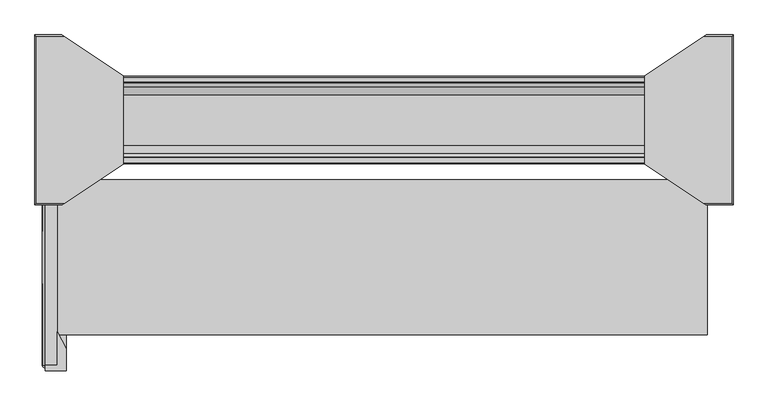
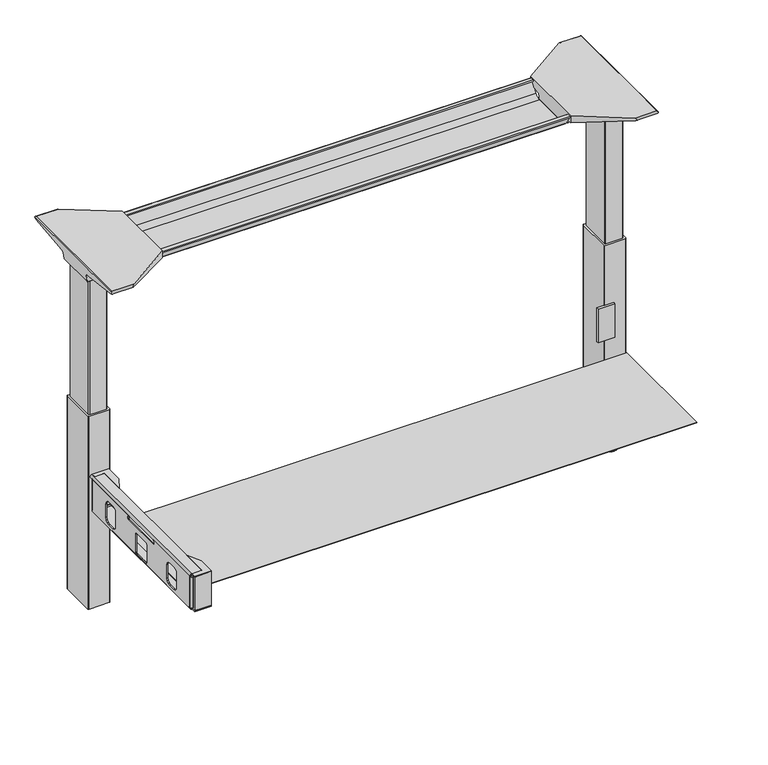
"""IFC4 building model written with IfcOpenShell, lengths in millimetres: furniture geometry."""

from ifc_helpers import new_model, si_unit, point, frame, frame_2d, origin, place, context, project, spatial, polyline, circle_curve, ellipse_curve, trimmed, segment, composite_curve, outline, extrude, source, transform, mapped, element, save
from ifc_brep_helpers import plane_surface, cylinder_surface, revolved_surface, advanced_brep


def furniture_45dec077(model_context):
    return source(origin(), model_context, "Body", "SolidModel", [
        advanced_brep(
        [(731.4406297, 635.7959297, 988.7915733), (565.7122138, 635.7959297, 988.7915733), (580.0924181, 638.0243831, 986.1442785), (728.9518591, 638.0243831, 986.1442785), (731.6625278, 635.7869439, 989.0276054), (734.0619089, 635.1429173, 1005.9443054), (551.2773962, 635.1429173, 1005.9443054), (551.2773962, 635.4909034, 996.8037253), (554.1075093, 635.5720941, 994.6710821), (554.2501644, 635.6497602, 992.6310191), (734.9185362, 629.6758818, 1011.9839076), (551.2773962, 629.6758818, 1011.9839076), (737.4393767, 515.1046774, 1029.7569507), (673.2243442, 515.1046774, 1029.7569507), (551.2773962, 595.9093999, 1017.2219877), (737.5128152, 511.3286724, 1030.2747243), (678.9229255, 511.3286724, 1030.2747243), (738.1871296, 509.818416, 1035.0289399), (736.4021288, 512.3953111, 1037.209), (677.3132011, 512.3953111, 1037.209), (738.1871296, 868.7919839, 1035.0289399), (737.5128152, 867.2817274, 1030.2747243), (678.9229255, 867.2817274, 1030.2747243), (677.3132011, 866.2150887, 1037.209), (736.4021288, 866.2150887, 1037.209), (737.4393767, 863.5057224, 1029.7569507), (673.2243442, 863.5057224, 1029.7569507), (734.9185362, 748.9345181, 1011.9839076), (551.2773962, 748.9345181, 1011.9839076), (551.2773962, 782.7009999, 1017.2219877), (734.0619089, 743.4674826, 1005.9443054), (551.2773962, 743.4674826, 1005.9443054), (731.6625278, 742.823456, 989.0276054), (731.4406297, 742.8144701, 988.7915733), (565.7122138, 742.8144701, 988.7915733), (554.2501644, 742.9606396, 992.6310191), (554.1075093, 743.0383057, 994.6710821), (551.2773962, 743.1194964, 996.8037253), (728.9518591, 740.5860168, 986.1442785), (580.0924181, 740.5860168, 986.1442785), (551.2773962, 782.7009999, 1037.209), (551.2773962, 595.9093999, 1037.209)],
        [
            (0, 1),
            (1, 2, ellipse_curve(frame((589.9936465, 558.758199, 1080.3086722), z_axis=(0.0, -0.7650318638532662, -0.6439924279750482), x_axis=(0.0, -0.6439924279750482, 0.7650318638532662)), 123.7641411, 94.6835116)),
            (2, 3),
            (3, 0),
            (0, 4),
            (4, 5),
            (5, 6),
            (6, 7),
            (7, 8),
            (8, 9),
            (9, 1, ellipse_curve(frame((589.9936465, 632.3118313, 1080.3086722), z_axis=(0.0, -0.999276106683639, -0.03804290487316255), x_axis=(0.0, -0.03804290487316397, 0.999276106683639)), 94.752102, 94.6835116)),
            (5, 10, ellipse_curve(frame((734.0119691, 628.684359, 1005.5922075), z_axis=(0.9900906714849623, 0.0, -0.14042956326378145), x_axis=(0.1404295632637812, 0.0, 0.9900906714849624)), 6.5328852, 6.4681487)),
            (10, 11),
            (11, 6, circle_curve(frame((551.2773962, 628.684359, 1005.5922075), z_axis=(-1.0, 0.0, 0.0), x_axis=(0.0, -1.0, 0.0)), 6.4681487)),
            (10, 12),
            (12, 13),
            (13, 14),
            (14, 11),
            (12, 15),
            (15, 16),
            (16, 13),
            (15, 17, ellipse_curve(frame((737.9730772, 513.3057888, 1033.5197755), z_axis=(-0.9900906714849623, 0.0, 0.14042956326378145), x_axis=(-0.1404295632637812, 0.0, -0.9900906714849624)), 3.8379455, 3.7999141)),
            (17, 18, ellipse_curve(frame((739.422811, 513.3057888, 1033.5197755), z_axis=(-0.7737284588432359, 0.0, -0.6335173809581479), x_axis=(-0.6335173809581477, 0.0, 0.773728458843236)), 4.9111727, 3.7999141)),
            (18, 19),
            (19, 16, ellipse_curve(frame((675.939148, 513.3057888, 1033.5197755), z_axis=(0.5523637579768934, 0.8336031902971844, 0.0), x_axis=(-0.8336031902971844, 0.5523637579768933, 0.0)), 6.8793689, 3.7999141)),
            (20, 21, ellipse_curve(frame((737.9730772, 865.304611, 1033.5197755), z_axis=(-0.9900906714849623, 0.0, 0.14042956326378145), x_axis=(-0.1404295632637812, 0.0, -0.9900906714849624)), 3.8379455, 3.7999141)),
            (21, 22),
            (22, 23, ellipse_curve(frame((675.939148, 865.304611, 1033.5197755), z_axis=(0.5523637579749595, -0.833603190298466, 0.0), x_axis=(-0.833603190298466, -0.5523637579749595, 0.0)), 6.8793689, 3.7999141)),
            (23, 24),
            (24, 20, ellipse_curve(frame((739.422811, 865.304611, 1033.5197755), z_axis=(-0.7737284588432359, 0.0, -0.6335173809581479), x_axis=(-0.6335173809581477, 0.0, 0.773728458843236)), 4.9111727, 3.7999141)),
            (21, 25),
            (25, 26),
            (26, 22),
            (27, 28),
            (28, 29),
            (29, 26),
            (25, 27),
            (27, 30, ellipse_curve(frame((734.0119691, 749.9260409, 1005.5922075), z_axis=(0.9900906714849623, 0.0, -0.14042956326378145), x_axis=(0.1404295632637812, 0.0, 0.9900906714849624)), 6.5328852, 6.4681487)),
            (30, 31),
            (31, 28, circle_curve(frame((551.2773962, 749.9260409, 1005.5922075), z_axis=(-1.0, 0.0, 0.0), x_axis=(0.0, -1.0, 0.0)), 6.4681487)),
            (30, 32),
            (32, 33),
            (33, 34),
            (34, 35, ellipse_curve(frame((589.9936465, 746.2985685, 1080.3086722), z_axis=(0.0, 0.9992761066836363, -0.03804290487323539), x_axis=(0.0, -0.03804290487323121, -0.9992761066836364)), 94.752102, 94.6835116)),
            (35, 36),
            (36, 37),
            (37, 31),
            (33, 38),
            (38, 39),
            (39, 34, ellipse_curve(frame((589.9936465, 819.8522008, 1080.3086722), z_axis=(0.0, 0.7650318638534733, -0.643992427974802), x_axis=(0.0, -0.643992427974802, -0.7650318638534732)), 123.7641411, 94.6835116)),
            (4, 32),
            (20, 17),
            (24, 18),
            (23, 40),
            (40, 41),
            (41, 19),
            (37, 7),
            (14, 41),
            (40, 29),
            (36, 8),
            (35, 9),
            (39, 2),
            (38, 3),
        ],
        [
            plane_surface(frame((754.4773962, 638.0243831, 986.1442785), z_axis=(0.0, -0.7650318638532662, -0.6439924279750482), x_axis=(-1.0, 0.0, 0.0))),
            plane_surface(frame((754.4773962, 635.7959297, 988.7915733), z_axis=(0.0, -0.999276106683639, -0.03804290487316255), x_axis=(-1.0, 0.0, 0.0))),
            revolved_surface(polyline([(734.9293793154884, 622.2162103, 1005.5922075), (551.2773962, 622.2162103, 1005.5922075)]), (754.4773962, 628.684359, 1005.5922075), (1.0, 0.0, 0.0)),
            plane_surface(frame((754.4773962, 629.6758818, 1011.9839076), z_axis=(0.0, -0.153293135871396, -0.9881807600306302), x_axis=(-1.0, 0.0, 0.0))),
            plane_surface(frame((754.4773962, 515.1046774, 1029.7569507), z_axis=(0.0, -0.13585085469026903, -0.9907292996979162), x_axis=(-1.0, 0.0, 0.0))),
            cylinder_surface(frame((754.4773962, 513.3057888, 1033.5197755), z_axis=(-1.0, 0.0, 0.0), x_axis=(0.0, -1.0, 0.0)), 3.7999141),
            cylinder_surface(frame((754.4773962, 865.304611, 1033.5197755), z_axis=(-1.0, 0.0, 0.0), x_axis=(0.0, -1.0, 0.0)), 3.7999141),
            plane_surface(frame((754.4773962, 867.2817274, 1030.2747243), z_axis=(0.0, 0.13585085468791205, -0.9907292996982394), x_axis=(-1.0, 0.0, 0.0))),
            plane_surface(frame((754.4773962, 863.5057224, 1029.7569507), z_axis=(0.0, 0.1532931358714066, -0.9881807600306285), x_axis=(-1.0, 0.0, 0.0))),
            revolved_surface(polyline([(734.9293793154884, 743.4578922, 1005.5922075), (551.2773962, 743.4578922, 1005.5922075)]), (754.4773962, 749.9260409, 1005.5922075), (1.0, 0.0, 0.0)),
            plane_surface(frame((754.4773962, 743.4674826, 1005.9443054), z_axis=(0.0, 0.9992761066836363, -0.03804290487323539), x_axis=(-1.0, 0.0, 0.0))),
            plane_surface(frame((754.4773962, 742.8144701, 988.7915733), z_axis=(0.0, 0.7650318638534733, -0.643992427974802), x_axis=(-1.0, 0.0, 0.0))),
            plane_surface(frame((731.6625278, 498.8051999, 989.0276054), z_axis=(0.9900906714849623, 0.0, -0.14042956326378145), x_axis=(0.0, 1.0, 0.0))),
            plane_surface(frame((738.1871296, 498.8051999, 1035.0289399), z_axis=(0.7737284588432359, 0.0, 0.6335173809581479), x_axis=(0.0, 1.0, 0.0))),
            plane_surface(frame((736.4021288, 498.8051999, 1037.209), z_axis=(0.0, 0.0, 1.0), x_axis=(0.0, 1.0, 0.0))),
            plane_surface(frame((551.2773962, 498.8051999, 1037.209), z_axis=(-1.0, 0.0, 0.0), x_axis=(0.0, 1.0, 0.0))),
            plane_surface(frame((551.2773962, 498.8051999, 996.8037253), z_axis=(-0.6018150231516275, 0.0, -0.7986355100476099), x_axis=(0.0, 1.0, 0.0))),
            plane_surface(frame((554.1075093, 498.8051999, 994.6710821), z_axis=(-0.9975640502599595, 0.0, -0.06975647374219093), x_axis=(0.0, 1.0, 0.0))),
            cylinder_surface(frame((589.9936465, 498.8051999, 1080.3086722), z_axis=(0.0, -1.0, 0.0), x_axis=(-1.0, 0.0, 0.0)), 94.6835116),
            plane_surface(frame((580.0924181, 498.8051999, 986.1442785), z_axis=(0.0, 0.0, -1.0), x_axis=(0.0, 1.0, 0.0))),
            plane_surface(frame((728.9518591, 498.8051999, 986.1442785), z_axis=(0.7285846064197211, 0.0, -0.6849558170336391), x_axis=(0.0, 1.0, 0.0))),
            plane_surface(frame((697.8228017, 498.8051999, 1037.209), z_axis=(-0.5523637579768934, -0.8336031902971844, 0.0), x_axis=(0.0, 0.0, -1.0))),
            plane_surface(frame((551.2773962, 782.7009999, 1037.209), z_axis=(-0.5523637579749595, 0.833603190298466, 0.0), x_axis=(0.0, 0.0, -1.0))),
        ],
        [
            (0, [[1, 2, 3, 4]]),
            (1, [[-1, 5, 6, 7, 8, 9, 10, 11]]),
            (2, [[-7, 12, 13, 14]]),
            (3, [[-13, 15, 16, 17, 18]]),
            (4, [[19, 20, 21, -16]]),
            (5, [[22, 23, 24, 25, -20]]),
            (6, [[26, 27, 28, 29, 30]]),
            (7, [[31, 32, 33, -27]]),
            (8, [[34, 35, 36, -32, 37]]),
            (9, [[-34, 38, 39, 40]]),
            (10, [[-39, 41, 42, 43, 44, 45, 46, 47]]),
            (11, [[-43, 48, 49, 50]]),
            (12, [[51, -41, -38, -37, -31, -26, 52, -22, -19, -15, -12, -6]]),
            (13, [[-52, -30, 53, -23]]),
            (14, [[-53, -29, 54, 55, 56, -24]]),
            (15, [[57, -8, -14, -18, 58, -55, 59, -35, -40, -47]]),
            (16, [[-57, -46, 60, -9]]),
            (17, [[-60, -45, 61, -10]]),
            (18, [[-61, -44, -50, 62, -2, -11]]),
            (19, [[-62, -49, 63, -3]]),
            (20, [[-51, -5, -4, -63, -48, -42]]),
            (21, [[-56, -58, -17, -21, -25]]),
            (22, [[-54, -28, -33, -36, -59]]),
        ],
    ),
        advanced_brep(
        [(-565.7122138, 635.7959297, 988.7915733), (-731.4406297, 635.7959297, 988.7915733), (-728.9518591, 638.0243831, 986.1442785), (-580.0924181, 638.0243831, 986.1442785), (-554.2501644, 635.6497602, 992.6310191), (-554.1075093, 635.5720941, 994.6710821), (-551.4619573, 635.4961981, 996.6646485), (-551.4619573, 635.1429173, 1005.9443054), (-734.0619089, 635.1429173, 1005.9443054), (-731.6625278, 635.7869439, 989.0276054), (-551.4619573, 629.6758818, 1011.9839076), (-734.9185362, 629.6758818, 1011.9839076), (-551.4619573, 595.9162046, 1017.2209321), (-673.2570453, 515.1046774, 1029.7569507), (-737.4393767, 515.1046774, 1029.7569507), (-737.5128152, 511.3286724, 1030.2747243), (-678.9480509, 511.3286724, 1030.2747243), (-738.1871296, 509.818416, 1035.0289399), (-677.3404665, 512.3953111, 1037.209), (-736.4021288, 512.3953111, 1037.209), (-737.5128152, 867.2817274, 1030.2747243), (-738.1871296, 868.7919839, 1035.0289399), (-736.4021288, 866.2150887, 1037.209), (-677.3404665, 866.2150887, 1037.209), (-678.9480509, 867.2817274, 1030.2747243), (-737.4393767, 863.5057224, 1029.7569507), (-673.2570453, 863.5057224, 1029.7569507), (-551.4619573, 748.9345181, 1011.9839076), (-734.9185362, 748.9345181, 1011.9839076), (-551.4619573, 782.6941953, 1017.2209321), (-551.4619573, 743.4674826, 1005.9443054), (-734.0619089, 743.4674826, 1005.9443054), (-551.4619573, 743.1142017, 996.6646485), (-554.1075093, 743.0383057, 994.6710821), (-554.2501644, 742.9606396, 992.6310191), (-565.7122138, 742.8144701, 988.7915733), (-731.4406297, 742.8144701, 988.7915733), (-731.6625278, 742.823456, 989.0276054), (-580.0924181, 740.5860168, 986.1442785), (-728.9518591, 740.5860168, 986.1442785), (-551.4619573, 595.9162046, 1037.209), (-551.4619573, 782.6941953, 1037.209)],
        [
            (0, 1),
            (1, 2),
            (2, 3),
            (3, 0, ellipse_curve(frame((-589.9936465, 558.758199, 1080.3086722), z_axis=(0.0, -0.7650318638532565, -0.6439924279750596), x_axis=(0.0, 0.6439924279750596, -0.7650318638532564)), 123.7641411, 94.6835116)),
            (0, 4, ellipse_curve(frame((-589.9936465, 632.3118313, 1080.3086722), z_axis=(0.0, -0.9992761066836392, -0.03804290487315862), x_axis=(0.0, 0.03804290487315623, -0.9992761066836393)), 94.752102, 94.6835116)),
            (4, 5),
            (5, 6),
            (6, 7),
            (7, 8),
            (8, 9),
            (9, 1),
            (7, 10, circle_curve(frame((-551.4619573, 628.684359, 1005.5922075), z_axis=(1.0, 0.0, 0.0), x_axis=(0.0, -1.0, 0.0)), 6.4681487)),
            (10, 11),
            (11, 8, ellipse_curve(frame((-734.0119691, 628.684359, 1005.5922075), z_axis=(-0.9900906714849659, 0.0, -0.1404295632637567), x_axis=(0.1404295632637562, 0.0, -0.9900906714849659)), 6.5328852, 6.4681487)),
            (10, 12),
            (12, 13),
            (13, 14),
            (14, 11),
            (15, 14),
            (13, 16),
            (16, 15),
            (17, 15, ellipse_curve(frame((-737.9730772, 513.3057888, 1033.5197755), z_axis=(0.9900906714849659, 0.0, 0.1404295632637567), x_axis=(-0.1404295632637562, 0.0, 0.9900906714849659)), 3.8379455, 3.7999141)),
            (16, 18, ellipse_curve(frame((-675.96824, 513.3057888, 1033.5197755), z_axis=(-0.5528743936295183, 0.8332646067539367, 0.0), x_axis=(-0.8332646067539364, -0.5528743936295183, 0.0)), 6.8730151, 3.7999141)),
            (18, 19),
            (19, 17, ellipse_curve(frame((-739.422811, 513.3057888, 1033.5197755), z_axis=(0.7737284588399557, 0.0, -0.633517380962154), x_axis=(-0.6335173809621538, 0.0, -0.7737284588399556)), 4.9111727, 3.7999141)),
            (20, 21, ellipse_curve(frame((-737.9730772, 865.304611, 1033.5197755), z_axis=(0.9900906714849659, 0.0, 0.1404295632637567), x_axis=(-0.1404295632637562, 0.0, 0.9900906714849659)), 3.8379455, 3.7999141)),
            (21, 22, ellipse_curve(frame((-739.422811, 865.304611, 1033.5197755), z_axis=(0.7737284588399557, 0.0, -0.633517380962154), x_axis=(-0.6335173809621538, 0.0, -0.7737284588399556)), 4.9111727, 3.7999141)),
            (22, 23),
            (23, 24, ellipse_curve(frame((-675.96824, 865.304611, 1033.5197755), z_axis=(-0.5528743936295097, -0.8332646067539422, 0.0), x_axis=(-0.8332646067539421, 0.5528743936295097, 0.0)), 6.8730151, 3.7999141)),
            (24, 20),
            (25, 20),
            (24, 26),
            (26, 25),
            (27, 28),
            (28, 25),
            (26, 29),
            (29, 27),
            (27, 30, circle_curve(frame((-551.4619573, 749.9260409, 1005.5922075), z_axis=(1.0, 0.0, 0.0), x_axis=(0.0, -1.0, 0.0)), 6.4681487)),
            (30, 31),
            (31, 28, ellipse_curve(frame((-734.0119691, 749.9260409, 1005.5922075), z_axis=(-0.9900906714849659, 0.0, -0.1404295632637567), x_axis=(0.1404295632637562, 0.0, -0.9900906714849659)), 6.5328852, 6.4681487)),
            (30, 32),
            (32, 33),
            (33, 34),
            (34, 35, ellipse_curve(frame((-589.9936465, 746.2985685, 1080.3086722), z_axis=(0.0, 0.9992761066836363, -0.03804290487323539), x_axis=(0.0, 0.03804290487323121, 0.9992761066836364)), 94.752102, 94.6835116)),
            (35, 36),
            (36, 37),
            (37, 31),
            (35, 38, ellipse_curve(frame((-589.9936465, 819.8522008, 1080.3086722), z_axis=(0.0, 0.7650318638534733, -0.643992427974802), x_axis=(0.0, 0.643992427974802, 0.7650318638534732)), 123.7641411, 94.6835116)),
            (38, 39),
            (39, 36),
            (37, 9),
            (17, 21),
            (19, 22),
            (18, 40),
            (40, 41),
            (41, 23),
            (6, 32),
            (29, 41),
            (40, 12),
            (5, 33),
            (4, 34),
            (3, 38),
            (2, 39),
        ],
        [
            plane_surface(frame((-551.4619573, 638.0243831, 986.1442785), z_axis=(0.0, -0.7650318638532565, -0.6439924279750596), x_axis=(-1.0, 0.0, 0.0))),
            plane_surface(frame((-551.4619573, 635.7959297, 988.7915733), z_axis=(0.0, -0.9992761066836392, -0.03804290487315862), x_axis=(-1.0, 0.0, 0.0))),
            revolved_surface(polyline([(-551.4619573, 622.2162103, 1005.5922075), (-734.9293793154882, 622.2162103, 1005.5922075)]), (-551.4619573, 628.684359, 1005.5922075), (1.0, 0.0, 0.0)),
            plane_surface(frame((-551.4619573, 629.6758818, 1011.9839076), z_axis=(0.0, -0.15329313587140309, -0.988180760030629), x_axis=(-1.0, 0.0, 0.0))),
            plane_surface(frame((-551.4619573, 515.1046774, 1029.7569507), z_axis=(0.0, -0.1358508546900816, -0.9907292996979419), x_axis=(-1.0, 0.0, 0.0))),
            cylinder_surface(frame((-551.4619573, 513.3057888, 1033.5197755), z_axis=(-1.0, 0.0, 0.0), x_axis=(0.0, -1.0, 0.0)), 3.7999141),
            cylinder_surface(frame((-551.4619573, 865.304611, 1033.5197755), z_axis=(-1.0, 0.0, 0.0), x_axis=(0.0, -1.0, 0.0)), 3.7999141),
            plane_surface(frame((-551.4619573, 867.2817274, 1030.2747243), z_axis=(0.0, 0.1358508546877776, -0.9907292996982578), x_axis=(-1.0, 0.0, 0.0))),
            plane_surface(frame((-551.4619573, 863.5057224, 1029.7569507), z_axis=(0.0, 0.15329313587141113, -0.9881807600306277), x_axis=(-1.0, 0.0, 0.0))),
            revolved_surface(polyline([(-551.4619573, 743.4578922, 1005.5922075), (-734.9293793154882, 743.4578922, 1005.5922075)]), (-551.4619573, 749.9260409, 1005.5922075), (1.0, 0.0, 0.0)),
            plane_surface(frame((-551.4619573, 743.4674826, 1005.9443054), z_axis=(0.0, 0.9992761066836363, -0.03804290487323539), x_axis=(-1.0, 0.0, 0.0))),
            plane_surface(frame((-551.4619573, 742.8144701, 988.7915733), z_axis=(0.0, 0.7650318638534733, -0.643992427974802), x_axis=(-1.0, 0.0, 0.0))),
            plane_surface(frame((-731.6625278, 879.8051999, 989.0276054), z_axis=(-0.9900906714849659, 0.0, -0.1404295632637567), x_axis=(0.0, -1.0, 0.0))),
            plane_surface(frame((-738.1871296, 879.8051999, 1035.0289399), z_axis=(-0.7737284588399557, 0.0, 0.633517380962154), x_axis=(0.0, -1.0, 0.0))),
            plane_surface(frame((-736.4021288, 879.8051999, 1037.209), z_axis=(0.0, 0.0, 1.0), x_axis=(0.0, -1.0, 0.0))),
            plane_surface(frame((-551.4619573, 879.8051999, 1037.209), z_axis=(1.0, 0.0, 0.0), x_axis=(0.0, -1.0, 0.0))),
            plane_surface(frame((-551.4619573, 879.8051999, 996.6646485), z_axis=(0.6018150231540728, 0.0, -0.7986355100457674), x_axis=(0.0, -1.0, 0.0))),
            plane_surface(frame((-554.1075093, 879.8051999, 994.6710821), z_axis=(0.9975640502598287, 0.0, -0.06975647374406109), x_axis=(0.0, -1.0, 0.0))),
            cylinder_surface(frame((-589.9936465, 879.8051999, 1080.3086722), z_axis=(0.0, 1.0, 0.0), x_axis=(1.0, 0.0, 0.0)), 94.6835116),
            plane_surface(frame((-580.0924181, 879.8051999, 986.1442785), z_axis=(0.0, 0.0, -1.0), x_axis=(0.0, -1.0, 0.0))),
            plane_surface(frame((-728.9518591, 879.8051999, 986.1442785), z_axis=(-0.7285846064222696, 0.0, -0.6849558170309284), x_axis=(0.0, -1.0, 0.0))),
            plane_surface(frame((-551.4619573, 595.9162046, 1037.209), z_axis=(0.5528743936295183, -0.8332646067539367, 0.0), x_axis=(0.0, 0.0, -1.0))),
            plane_surface(frame((-697.8228017, 879.8051999, 1037.209), z_axis=(0.5528743936295097, 0.8332646067539422, 0.0), x_axis=(0.0, 0.0, -1.0))),
        ],
        [
            (0, [[1, 2, 3, 4]]),
            (1, [[-1, 5, 6, 7, 8, 9, 10, 11]]),
            (2, [[-9, 12, 13, 14]]),
            (3, [[-13, 15, 16, 17, 18]]),
            (4, [[19, -17, 20, 21]]),
            (5, [[22, -21, 23, 24, 25]]),
            (6, [[26, 27, 28, 29, 30]]),
            (7, [[31, -30, 32, 33]]),
            (8, [[34, 35, -33, 36, 37]]),
            (9, [[-34, 38, 39, 40]]),
            (10, [[-39, 41, 42, 43, 44, 45, 46, 47]]),
            (11, [[-45, 48, 49, 50]]),
            (12, [[51, -10, -14, -18, -19, -22, 52, -26, -31, -35, -40, -47]]),
            (13, [[-52, -25, 53, -27]]),
            (14, [[-53, -24, 54, 55, 56, -28]]),
            (15, [[57, -41, -38, -37, 58, -55, 59, -15, -12, -8]]),
            (16, [[-57, -7, 60, -42]]),
            (17, [[-60, -6, 61, -43]]),
            (18, [[-61, -5, -4, 62, -48, -44]]),
            (19, [[-62, -3, 63, -49]]),
            (20, [[-51, -46, -50, -63, -2, -11]]),
            (21, [[-54, -23, -20, -16, -59]]),
            (22, [[-56, -58, -36, -32, -29]]),
        ],
    ),
        advanced_brep(
        [(551.2773962, 610.6220303, 1031.9794894), (551.2773962, 608.8576757, 1034.2075511), (551.2773962, 597.8770774, 1034.2075511), (551.2773962, 597.146908, 1031.6093085), (551.2773962, 618.5732891, 1002.0462148), (551.2773962, 635.9741085, 993.4452863), (551.2773962, 742.7619843, 993.4452863), (551.2773962, 760.3897782, 1002.4997482), (551.2773962, 781.7244861, 1032.2706054), (551.2773962, 780.0859233, 1034.3266572), (551.2773962, 769.8707901, 1034.3266572), (551.2773962, 767.9998151, 1031.9794894), (551.2773962, 768.7410362, 1031.4423822), (551.2773962, 770.3112636, 1033.4122572), (551.2773962, 779.9898761, 1033.4122572), (551.2773962, 780.7957648, 1032.5444366), (551.2773962, 759.6465255, 1003.0323858), (551.2773962, 742.7619843, 994.3598536), (551.2773962, 635.9741085, 994.3596863), (551.2773962, 619.3067599, 1002.5923713), (551.2773962, 597.9530373, 1032.0552144), (551.2773962, 598.2103058, 1033.2931511), (551.2773962, 608.4153909, 1033.2931511), (551.2773962, 609.880928, 1031.4424419), (-551.4619573, 610.6220303, 1031.9794894), (-551.4619573, 609.880928, 1031.4424419), (-551.4619573, 608.4153909, 1033.2931511), (-551.4619573, 598.2103058, 1033.2931511), (-551.4619573, 597.9530373, 1032.0552144), (-551.4619573, 619.3067599, 1002.5923713), (-551.4619573, 635.9741085, 994.3596863), (-551.4619573, 742.7619844, 994.3596863), (-551.4619573, 759.6465255, 1003.0323858), (-551.4619573, 780.7957648, 1032.5444366), (-551.4619573, 779.9898761, 1033.4122572), (-551.4619573, 770.3112636, 1033.4122572), (-551.4619573, 768.7410362, 1031.4423822), (-551.4619573, 767.9998151, 1031.9794894), (-551.4619573, 769.8707901, 1034.3266572), (-551.4619573, 780.0859233, 1034.3266572), (-551.4619573, 781.7244861, 1032.2706054), (-551.4619573, 760.3897782, 1002.4997482), (-551.4619573, 742.7619843, 993.4454536), (-551.4619573, 635.9741085, 993.4452863), (-551.4619573, 618.5732891, 1002.0462148), (-551.4619573, 597.146908, 1031.6093085), (-551.4619573, 597.8770774, 1034.2075511), (-551.4619573, 608.8576757, 1034.2075511)],
        [
            (0, 1),
            (1, 2),
            (2, 3, circle_curve(frame((551.2773962, 599.0946423, 1032.4636667), z_axis=(1.0, 0.0, 0.0), x_axis=(0.0, -1.0, 0.0)), 2.1268749)),
            (3, 4),
            (4, 5, circle_curve(frame((551.2773962, 635.9741085, 1015.3478336), z_axis=(1.0, 0.0, 0.0), x_axis=(0.0, -1.0, 0.0)), 21.9025472)),
            (5, 6),
            (6, 7, circle_curve(frame((551.2773962, 742.7619843, 1015.132365), z_axis=(1.0, 0.0, 0.0), x_axis=(0.0, -1.0, 0.0)), 21.6869114)),
            (7, 8),
            (8, 9, circle_curve(frame((551.2773962, 779.7241364, 1032.3573833), z_axis=(1.0, 0.0, 0.0), x_axis=(0.0, -1.0, 0.0)), 2.0022311)),
            (9, 10),
            (10, 11),
            (11, 12),
            (12, 13),
            (13, 14),
            (14, 15, circle_curve(frame((551.2773962, 779.7241364, 1032.3573833), z_axis=(-1.0, 0.0, 0.0), x_axis=(0.0, -1.0, 0.0)), 1.0878311)),
            (15, 16),
            (16, 17, circle_curve(frame((551.2773962, 742.7619843, 1015.132365), z_axis=(-1.0, 0.0, 0.0), x_axis=(0.0, -1.0, 0.0)), 20.7725114)),
            (17, 18),
            (18, 19, circle_curve(frame((551.2773962, 635.9741085, 1015.3478336), z_axis=(-1.0, 0.0, 0.0), x_axis=(0.0, -1.0, 0.0)), 20.9881473)),
            (19, 20),
            (20, 21, circle_curve(frame((551.2773962, 599.0946423, 1032.4636667), z_axis=(-1.0, 0.0, 0.0), x_axis=(0.0, -1.0, 0.0)), 1.2124749)),
            (21, 22),
            (22, 23),
            (23, 0),
            (24, 25),
            (25, 26),
            (26, 27),
            (27, 28, circle_curve(frame((-551.4619573, 599.0946423, 1032.4636667), z_axis=(1.0, 0.0, 0.0), x_axis=(0.0, -1.0, 0.0)), 1.2124749)),
            (28, 29),
            (29, 30, circle_curve(frame((-551.4619573, 635.9741085, 1015.3478336), z_axis=(1.0, 0.0, 0.0), x_axis=(0.0, -1.0, 0.0)), 20.9881473)),
            (30, 31),
            (31, 32, circle_curve(frame((-551.4619573, 742.7619843, 1015.132365), z_axis=(1.0, 0.0, 0.0), x_axis=(0.0, -1.0, 0.0)), 20.7725114)),
            (32, 33),
            (33, 34, circle_curve(frame((-551.4619573, 779.7241364, 1032.3573833), z_axis=(1.0, 0.0, 0.0), x_axis=(0.0, -1.0, 0.0)), 1.0878311)),
            (34, 35),
            (35, 36),
            (36, 37),
            (37, 38),
            (38, 39),
            (39, 40, circle_curve(frame((-551.4619573, 779.7241364, 1032.3573833), z_axis=(-1.0, 0.0, 0.0), x_axis=(0.0, -1.0, 0.0)), 2.0022311)),
            (40, 41),
            (41, 42, circle_curve(frame((-551.4619573, 742.7619843, 1015.132365), z_axis=(-1.0, 0.0, 0.0), x_axis=(0.0, -1.0, 0.0)), 21.6869114)),
            (42, 43),
            (43, 44, circle_curve(frame((-551.4619573, 635.9741085, 1015.3478336), z_axis=(-1.0, 0.0, 0.0), x_axis=(0.0, -1.0, 0.0)), 21.9025472)),
            (44, 45),
            (45, 46, circle_curve(frame((-551.4619573, 599.0946423, 1032.4636667), z_axis=(-1.0, 0.0, 0.0), x_axis=(0.0, -1.0, 0.0)), 2.1268749)),
            (46, 47),
            (47, 24),
            (0, 24),
            (47, 1),
            (46, 2),
            (45, 3),
            (44, 4),
            (43, 5),
            (42, 6),
            (41, 7),
            (40, 8),
            (39, 9),
            (38, 10),
            (37, 11),
            (36, 12),
            (35, 13),
            (34, 14),
            (33, 15),
            (32, 16),
            (31, 17),
            (30, 18),
            (29, 19),
            (28, 20),
            (27, 21),
            (26, 22),
            (25, 23),
        ],
        [
            plane_surface(frame((551.2773962, 689.3051999, 1037.209), z_axis=(1.0, 0.0, 0.0), x_axis=(0.0, 0.0, 1.0))),
            plane_surface(frame((-551.4619573, 689.3051999, 1037.209), z_axis=(-1.0, 0.0, 0.0), x_axis=(0.0, 0.0, 1.0))),
            plane_surface(frame((551.2773962, 610.6220303, 1031.9794894), z_axis=(0.0, 0.7839649337165058, 0.6208051084703434), x_axis=(-1.0, 0.0, 0.0))),
            plane_surface(frame((551.2773962, 608.8576757, 1034.2075511), z_axis=(0.0, 0.0, 1.0), x_axis=(-1.0, 0.0, 0.0))),
            cylinder_surface(frame((551.2773962, 599.0946423, 1032.4636667), z_axis=(1.0, 0.0, 0.0), x_axis=(0.0, -1.0, 0.0)), 2.1268749),
            plane_surface(frame((551.2773962, 597.146908, 1031.6093085), z_axis=(0.0, -0.8096997445281038, -0.586844377762217), x_axis=(-1.0, 0.0, 0.0))),
            cylinder_surface(frame((551.2773962, 635.9741085, 1015.3478336), z_axis=(1.0, 0.0, 0.0), x_axis=(0.0, -1.0, 0.0)), 21.9025472),
            plane_surface(frame((551.2773962, 635.9741085, 993.4452863), z_axis=(0.0, 0.0, -1.0), x_axis=(-1.0, 0.0, 0.0))),
            cylinder_surface(frame((551.2773962, 742.7619843, 1015.132365), z_axis=(1.0, 0.0, 0.0), x_axis=(0.0, -1.0, 0.0)), 21.6869114),
            plane_surface(frame((551.2773962, 760.3897782, 1002.4997482), z_axis=(0.0, 0.8128309997561537, -0.5824995844079305), x_axis=(-1.0, 0.0, 0.0))),
            cylinder_surface(frame((551.2773962, 779.7241364, 1032.3573833), z_axis=(1.0, 0.0, 0.0), x_axis=(0.0, -1.0, 0.0)), 2.0022311),
            plane_surface(frame((551.2773962, 780.0859233, 1034.3266572), z_axis=(0.0, 0.0, 1.0), x_axis=(-1.0, 0.0, 0.0))),
            plane_surface(frame((551.2773962, 769.8707901, 1034.3266572), z_axis=(0.0, -0.7819660587237972, 0.6233210112004657), x_axis=(-1.0, 0.0, 0.0))),
            plane_surface(frame((551.2773962, 767.9998151, 1031.9794894), z_axis=(0.0, -0.5867684336468096, -0.8097547809526473), x_axis=(-1.0, 0.0, 0.0))),
            plane_surface(frame((551.2773962, 768.7410362, 1031.4423822), z_axis=(0.0, 0.7819660587239206, -0.6233210112003109), x_axis=(-1.0, 0.0, 0.0))),
            plane_surface(frame((551.2773962, 770.3112636, 1033.4122572), z_axis=(0.0, 0.0, -1.0), x_axis=(-1.0, 0.0, 0.0))),
            revolved_surface(polyline([(-551.4619573000001, 778.6363053, 1032.3573833), (551.2773962, 778.6363053, 1032.3573833)]), (551.2773962, 779.7241364, 1032.3573833), (-1.0, 0.0, 0.0)),
            plane_surface(frame((551.2773962, 780.7957648, 1032.5444366), z_axis=(0.0, -0.8128309996716102, 0.582499584525904), x_axis=(-1.0, 0.0, 0.0))),
            revolved_surface(polyline([(-551.4619573000001, 721.9894729, 1015.132365), (551.2773962, 721.9894729, 1015.132365)]), (551.2773962, 742.7619843, 1015.132365), (-1.0, 0.0, 0.0)),
            plane_surface(frame((551.2773962, 742.7619844, 994.3596863), z_axis=(0.0, 0.0, 1.0), x_axis=(-1.0, 0.0, 0.0))),
            revolved_surface(polyline([(-551.4619573000001, 614.9859612, 1015.3478336), (551.2773962, 614.9859612, 1015.3478336)]), (551.2773962, 635.9741085, 1015.3478336), (-1.0, 0.0, 0.0)),
            plane_surface(frame((551.2773962, 619.3067599, 1002.5923713), z_axis=(0.0, 0.8096997449536107, 0.5868443771751228), x_axis=(-1.0, 0.0, 0.0))),
            revolved_surface(polyline([(-551.4619573000001, 597.8821674000001, 1032.4636667), (551.2773962, 597.8821674000001, 1032.4636667)]), (551.2773962, 599.0946423, 1032.4636667), (-1.0, 0.0, 0.0)),
            plane_surface(frame((551.2773962, 598.2103058, 1033.2931511), z_axis=(0.0, 0.0, -1.0), x_axis=(-1.0, 0.0, 0.0))),
            plane_surface(frame((551.2773962, 608.4153909, 1033.2931511), z_axis=(0.0, -0.7839649337164979, -0.6208051084703533), x_axis=(-1.0, 0.0, 0.0))),
            plane_surface(frame((551.2773962, 609.880928, 1031.4424419), z_axis=(0.0, 0.5867873637752554, -0.8097410633737715), x_axis=(-1.0, 0.0, 0.0))),
        ],
        [
            (0, [[1, 2, 3, 4, 5, 6, 7, 8, 9, 10, 11, 12, 13, 14, 15, 16, 17, 18, 19, 20, 21, 22, 23, 24]]),
            (1, [[25, 26, 27, 28, 29, 30, 31, 32, 33, 34, 35, 36, 37, 38, 39, 40, 41, 42, 43, 44, 45, 46, 47, 48]]),
            (2, [[-1, 49, -48, 50]]),
            (3, [[-2, -50, -47, 51]]),
            (4, [[-3, -51, -46, 52]]),
            (5, [[-4, -52, -45, 53]]),
            (6, [[-5, -53, -44, 54]]),
            (7, [[-6, -54, -43, 55]]),
            (8, [[-7, -55, -42, 56]]),
            (9, [[-8, -56, -41, 57]]),
            (10, [[-9, -57, -40, 58]]),
            (11, [[-10, -58, -39, 59]]),
            (12, [[-11, -59, -38, 60]]),
            (13, [[-12, -60, -37, 61]]),
            (14, [[-13, -61, -36, 62]]),
            (15, [[-14, -62, -35, 63]]),
            (16, [[-15, -63, -34, 64]]),
            (17, [[-16, -64, -33, 65]]),
            (18, [[-17, -65, -32, 66]]),
            (19, [[-18, -66, -31, 67]]),
            (20, [[-19, -67, -30, 68]]),
            (21, [[-20, -68, -29, 69]]),
            (22, [[-21, -69, -28, 70]]),
            (23, [[-22, -70, -27, 71]]),
            (24, [[-23, -71, -26, 72]]),
            (25, [[-24, -72, -25, -49]]),
        ],
    ),
        advanced_brep(
        [(-675.0283088, 644.5569502, 986.1442785), (-672.2624028, 646.9101888, 986.1442785), (-672.2624028, 731.6838141, 986.1442785), (-675.3159671, 734.0332129, 986.1442785), (-718.6299922, 734.0534496, 986.1442785), (-721.6895972, 731.6837063, 986.1442785), (-721.6895972, 646.9101043, 986.1442785), (-718.9236912, 644.5569502, 986.1442785), (-675.0283088, 644.5569502, 599.0990058), (-718.9236912, 644.5569502, 599.0990058), (-721.6895972, 646.9101043, 599.0990058), (-721.6895972, 731.6837063, 599.0990058), (-718.6360098, 734.0332076, 599.0990058), (-675.3220078, 734.0534496, 599.0990058), (-672.2624028, 731.6838141, 599.0990058), (-672.2624028, 646.9101888, 599.0990058)],
        [
            (0, 1, circle_curve(frame((-675.3300788, 647.7137281, 986.1442785), z_axis=(0.0, 0.0, 1.0), x_axis=(-1.0, 0.0, 0.0)), 3.1711688)),
            (1, 2),
            (2, 3, circle_curve(frame((-675.3159671, 730.8741219, 986.1442785), z_axis=(0.0, 0.0, 1.0), x_axis=(-1.0, 0.0, 0.0)), 3.1590911)),
            (3, 4),
            (4, 5, circle_curve(frame((-718.6360098, 730.8741219, 986.1442785), z_axis=(0.0, 0.0, 1.0), x_axis=(-1.0, 0.0, 0.0)), 3.1590858)),
            (5, 6),
            (6, 7, circle_curve(frame((-718.6219439, 647.7137302, 986.1442785), z_axis=(0.0, 0.0, 1.0), x_axis=(-1.0, 0.0, 0.0)), 3.1711687)),
            (7, 0),
            (8, 9),
            (9, 10, circle_curve(frame((-718.6219439, 647.7137302, 599.0990058), z_axis=(0.0, 0.0, -1.0), x_axis=(-1.0, 0.0, 0.0)), 3.1711687)),
            (10, 11),
            (11, 12, circle_curve(frame((-718.6360098, 730.8741219, 599.0990058), z_axis=(0.0, 0.0, -1.0), x_axis=(-1.0, 0.0, 0.0)), 3.1590858)),
            (12, 13),
            (13, 14, circle_curve(frame((-675.3159671, 730.8741219, 599.0990058), z_axis=(0.0, 0.0, -1.0), x_axis=(-1.0, 0.0, 0.0)), 3.1590911)),
            (14, 15),
            (15, 8, circle_curve(frame((-675.3300788, 647.7137281, 599.0990058), z_axis=(0.0, 0.0, -1.0), x_axis=(-1.0, 0.0, 0.0)), 3.1711688)),
            (7, 9),
            (8, 0),
            (6, 10),
            (5, 11),
            (4, 12),
            (3, 13),
            (2, 14),
            (1, 15),
        ],
        [
            plane_surface(frame((-678.5012476, 647.7137281, 986.1442785), z_axis=(0.0, 0.0, 1.0), x_axis=(0.0, -1.0, 0.0))),
            plane_surface(frame((-678.5012476, 647.7137281, 599.0990058), z_axis=(0.0, 0.0, -1.0), x_axis=(0.0, 1.0, 0.0))),
            plane_surface(frame((-718.9236912, 644.5569502, 986.1442785), z_axis=(0.0, -1.0, 0.0), x_axis=(0.0, 0.0, -1.0))),
            cylinder_surface(frame((-718.6219439, 647.7137302, 599.0990058), z_axis=(0.0, 0.0, 1.0), x_axis=(-1.0, 0.0, 0.0)), 3.1711687),
            plane_surface(frame((-721.6895972, 731.6837063, 986.1442785), z_axis=(-1.0, 0.0, 0.0), x_axis=(0.0, 0.0, -1.0))),
            cylinder_surface(frame((-718.6360098, 730.8741219, 599.0990058), z_axis=(0.0, 0.0, 1.0), x_axis=(-1.0, 0.0, 0.0)), 3.1590858),
            plane_surface(frame((-675.3220078, 734.0534496, 986.1442785), z_axis=(0.0, 1.0, 0.0), x_axis=(0.0, 0.0, -1.0))),
            cylinder_surface(frame((-675.3159671, 730.8741219, 599.0990058), z_axis=(0.0, 0.0, 1.0), x_axis=(-1.0, 0.0, 0.0)), 3.1590911),
            plane_surface(frame((-672.2624028, 646.9101888, 986.1442785), z_axis=(1.0, 0.0, 0.0), x_axis=(0.0, 0.0, -1.0))),
            cylinder_surface(frame((-675.3300788, 647.7137281, 599.0990058), z_axis=(0.0, 0.0, 1.0), x_axis=(-1.0, 0.0, 0.0)), 3.1711688),
        ],
        [
            (0, [[1, 2, 3, 4, 5, 6, 7, 8]]),
            (1, [[9, 10, 11, 12, 13, 14, 15, 16]]),
            (2, [[-8, 17, -9, 18]]),
            (3, [[-7, 19, -10, -17]]),
            (4, [[-6, 20, -11, -19]]),
            (5, [[-5, 21, -12, -20]]),
            (6, [[-4, 22, -13, -21]]),
            (7, [[-3, 23, -14, -22]]),
            (8, [[-2, 24, -15, -23]]),
            (9, [[-1, -18, -16, -24]]),
        ],
    ),
        advanced_brep(
        [(675.0283088, 644.5569502, 986.1442785), (718.9236912, 644.5569502, 986.1442785), (721.6806448, 646.8766758, 986.1442785), (721.6806448, 731.7167491, 986.1442785), (718.6360098, 734.0332076, 986.1442785), (675.3220078, 734.0534496, 986.1442785), (672.2713552, 731.7168524, 986.1442785), (672.2713552, 646.8767566, 986.1442785), (675.0283088, 644.5569502, 599.0990058), (672.2713552, 646.8767566, 599.0990058), (672.2713552, 731.7168524, 599.0990058), (675.3159671, 734.0332129, 599.0990058), (718.6299922, 734.0534496, 599.0990058), (721.6806448, 731.7167491, 599.0990058), (721.6806448, 646.8766758, 599.0990058), (718.9236912, 644.5569502, 599.0990058)],
        [
            (0, 1),
            (1, 2, circle_curve(frame((718.6219439, 647.7137302, 986.1442785), z_axis=(0.0, 0.0, 1.0), x_axis=(1.0, 0.0, 0.0)), 3.1711687)),
            (2, 3),
            (3, 4, circle_curve(frame((718.6360098, 730.8741219, 986.1442785), z_axis=(0.0, 0.0, 1.0), x_axis=(1.0, 0.0, 0.0)), 3.1590858)),
            (4, 5),
            (5, 6, circle_curve(frame((675.3159671, 730.8741219, 986.1442785), z_axis=(0.0, 0.0, 1.0), x_axis=(1.0, 0.0, 0.0)), 3.1590911)),
            (6, 7),
            (7, 0, circle_curve(frame((675.3300788, 647.7137281, 986.1442785), z_axis=(0.0, 0.0, 1.0), x_axis=(1.0, 0.0, 0.0)), 3.1711688)),
            (8, 9, circle_curve(frame((675.3300788, 647.7137281, 599.0990058), z_axis=(0.0, 0.0, -1.0), x_axis=(1.0, 0.0, 0.0)), 3.1711688)),
            (9, 10),
            (10, 11, circle_curve(frame((675.3159671, 730.8741219, 599.0990058), z_axis=(0.0, 0.0, -1.0), x_axis=(1.0, 0.0, 0.0)), 3.1590911)),
            (11, 12),
            (12, 13, circle_curve(frame((718.6360098, 730.8741219, 599.0990058), z_axis=(0.0, 0.0, -1.0), x_axis=(1.0, 0.0, 0.0)), 3.1590858)),
            (13, 14),
            (14, 15, circle_curve(frame((718.6219439, 647.7137302, 599.0990058), z_axis=(0.0, 0.0, -1.0), x_axis=(1.0, 0.0, 0.0)), 3.1711687)),
            (15, 8),
            (0, 8),
            (15, 1),
            (14, 2),
            (13, 3),
            (12, 4),
            (11, 5),
            (10, 6),
            (9, 7),
        ],
        [
            plane_surface(frame((718.9236912, 644.5569502, 986.1442785), z_axis=(0.0, 0.0, 1.0), x_axis=(1.0, 0.0, 0.0))),
            plane_surface(frame((718.9236912, 644.5569502, 599.0990058), z_axis=(0.0, 0.0, -1.0), x_axis=(-1.0, 0.0, 0.0))),
            plane_surface(frame((675.0283088, 644.5569502, 986.1442785), z_axis=(0.0, -1.0, 0.0), x_axis=(0.0, 0.0, -1.0))),
            cylinder_surface(frame((718.6219439, 647.7137302, 599.0990058), z_axis=(0.0, 0.0, 1.0), x_axis=(1.0, 0.0, 0.0)), 3.1711687),
            plane_surface(frame((721.6806448, 646.8766758, 986.1442785), z_axis=(1.0, 0.0, 0.0), x_axis=(0.0, 0.0, -1.0))),
            cylinder_surface(frame((718.6360098, 730.8741219, 599.0990058), z_axis=(0.0, 0.0, 1.0), x_axis=(1.0, 0.0, 0.0)), 3.1590858),
            plane_surface(frame((718.6299922, 734.0534496, 986.1442785), z_axis=(0.0, 1.0, 0.0), x_axis=(0.0, 0.0, -1.0))),
            cylinder_surface(frame((675.3159671, 730.8741219, 599.0990058), z_axis=(0.0, 0.0, 1.0), x_axis=(1.0, 0.0, 0.0)), 3.1590911),
            plane_surface(frame((672.2713552, 731.7168524, 986.1442785), z_axis=(-1.0, 0.0, 0.0), x_axis=(0.0, 0.0, -1.0))),
            cylinder_surface(frame((675.3300788, 647.7137281, 599.0990058), z_axis=(0.0, 0.0, 1.0), x_axis=(1.0, 0.0, 0.0)), 3.1711688),
        ],
        [
            (0, [[1, 2, 3, 4, 5, 6, 7, 8]]),
            (1, [[9, 10, 11, 12, 13, 14, 15, 16]]),
            (2, [[-1, 17, -16, 18]]),
            (3, [[-2, -18, -15, 19]]),
            (4, [[-3, -19, -14, 20]]),
            (5, [[-4, -20, -13, 21]]),
            (6, [[-5, -21, -12, 22]]),
            (7, [[-6, -22, -11, 23]]),
            (8, [[-7, -23, -10, 24]]),
            (9, [[-8, -24, -9, -17]]),
        ],
    ),
        extrude(outline(composite_curve([segment(trimmed(circle_curve(frame_2d((669.316092, 641.5792919)), 2.248592), [point((669.316092, 639.3306999))], [point((667.0675, 641.5792919))], False, "CARTESIAN"), True, "CONTINUOUS"), segment(polyline([(667.0675, 641.5792919), (667.0675, 737.031053)]), True, "CONTINUOUS"), segment(trimmed(circle_curve(frame_2d((669.3161469, 737.031053)), 2.2486469), [point((667.0675, 737.031053))], [point((669.3161469, 739.2796999))], False, "CARTESIAN"), True, "CONTINUOUS"), segment(polyline([(669.3161469, 739.2796999), (724.635908, 739.2796999)]), True, "CONTINUOUS"), segment(trimmed(circle_curve(frame_2d((724.635908, 737.0311079)), 2.248592), [point((724.635908, 739.2796999))], [point((726.8845, 737.0311079))], False, "CARTESIAN"), True, "CONTINUOUS"), segment(polyline([(726.8845, 737.0311079), (726.8845, 641.5792919)]), True, "CONTINUOUS"), segment(trimmed(circle_curve(frame_2d((724.635908, 641.5792919)), 2.248592), [point((726.8845, 641.5792919))], [point((724.635908, 639.3306999))], False, "CARTESIAN"), True, "CONTINUOUS"), segment(polyline([(724.635908, 639.3306999), (669.316092, 639.3306999)]), True, "CONTINUOUS")], self_intersect=False)), frame((0.0, 0.0, 48.1000573), z_axis=(0.0, 0.0, 1.0), x_axis=(1.0, 0.0, 0.0)), (0.0, 0.0, 1.0), 550.9989485),
        advanced_brep(
        [(696.976, 671.3030347, 10.2361894), (696.976, 657.2832846, 10.2361894), (696.976, 657.6704598, 8.7946116), (696.976, 670.9158594, 8.7946116), (696.976, 664.2931596, 10.2361894), (696.976, 685.250048, 0.0), (696.976, 643.3362713, 0.0), (696.976, 664.2931596, 0.0), (696.976, 686.7937783, 1.5436985), (696.976, 641.7925409, 1.5436985), (696.976, 686.7937236, 4.1072626), (696.976, 641.7925956, 4.1072626), (696.976, 685.2538832, 5.9174378), (696.976, 643.332436, 5.9174378)],
        [
            (0, 1, circle_curve(frame((696.976, 664.2931596, 10.2361894), z_axis=(0.0, 0.0, -1.0), x_axis=(0.0, -1.0, 0.0)), 7.009875)),
            (1, 2),
            (2, 3, circle_curve(frame((696.976, 664.2931596, 8.7946116), z_axis=(0.0, 0.0, 1.0), x_axis=(0.0, -1.0, 0.0)), 6.6226998)),
            (3, 0),
            (1, 0, circle_curve(frame((696.976, 664.2931596, 10.2361894), z_axis=(0.0, 0.0, -1.0), x_axis=(0.0, -1.0, 0.0)), 7.009875)),
            (3, 2, circle_curve(frame((696.976, 664.2931596, 8.7946116), z_axis=(0.0, 0.0, 1.0), x_axis=(0.0, -1.0, 0.0)), 6.6226998)),
            (4, 1),
            (0, 4),
            (5, 6, circle_curve(frame((696.976, 664.2931596, 0.0), z_axis=(0.0, 0.0, -1.0), x_axis=(0.0, -1.0, 0.0)), 20.9568884)),
            (6, 7),
            (7, 5),
            (6, 5, circle_curve(frame((696.976, 664.2931596, 0.0), z_axis=(0.0, 0.0, -1.0), x_axis=(0.0, -1.0, 0.0)), 20.9568884)),
            (8, 9, circle_curve(frame((696.976, 664.2931596, 1.5436985), z_axis=(0.0, 0.0, -1.0), x_axis=(0.0, -1.0, 0.0)), 22.5006187)),
            (9, 6),
            (5, 8),
            (9, 8, circle_curve(frame((696.976, 664.2931596, 1.5436985), z_axis=(0.0, 0.0, -1.0), x_axis=(0.0, -1.0, 0.0)), 22.5006187)),
            (10, 11, circle_curve(frame((696.976, 664.2931596, 4.1072626), z_axis=(0.0, 0.0, -1.0), x_axis=(0.0, -1.0, 0.0)), 22.500564)),
            (11, 9),
            (8, 10),
            (11, 10, circle_curve(frame((696.976, 664.2931596, 4.1072626), z_axis=(0.0, 0.0, -1.0), x_axis=(0.0, -1.0, 0.0)), 22.500564)),
            (12, 13, circle_curve(frame((696.976, 664.2931596, 5.9174378), z_axis=(0.0, 0.0, -1.0), x_axis=(0.0, -1.0, 0.0)), 20.9607236)),
            (13, 11),
            (10, 12),
            (13, 12, circle_curve(frame((696.976, 664.2931596, 5.9174378), z_axis=(0.0, 0.0, -1.0), x_axis=(0.0, -1.0, 0.0)), 20.9607236)),
            (2, 13),
            (12, 3),
        ],
        [
            revolved_surface(polyline([(696.976, 657.6704598, 8.7946116), (696.976, 657.2832846, 10.2361894)]), (696.976, 664.2931596, 0.0), (0.0, 0.0, 1.0)),
            plane_surface(frame((696.976, 664.2931596, 10.2361894), z_axis=(0.0, 0.0, 1.0), x_axis=(0.0, -1.0, 0.0))),
            plane_surface(frame((696.976, 664.2931596, 0.0), z_axis=(0.0, 0.0, -1.0), x_axis=(0.0, -1.0, 0.0))),
            revolved_surface(polyline([(696.976, 643.3362713, 0.0), (696.976, 641.7925409, 1.5436985)]), (696.976, 664.2931596, 0.0), (0.0, 0.0, 1.0)),
            cylinder_surface(frame((696.976, 664.2931596, 0.0), z_axis=(0.0, 0.0, 1.0), x_axis=(0.0, -1.0, 0.0)), 22.500564),
            revolved_surface(polyline([(696.976, 641.7924501, 4.1072626), (696.976, 643.332436, 5.9174378)]), (696.976, 664.2931596, 0.0), (0.0, 0.0, 1.0)),
            revolved_surface(polyline([(696.976, 643.332436, 5.9174378), (696.976, 657.6704598, 8.7946116)]), (696.976, 664.2931596, 0.0), (0.0, 0.0, 1.0)),
        ],
        [
            (0, [[1, 2, 3, 4]]),
            (0, [[5, -4, 6, -2]]),
            (1, [[7, -1, 8]]),
            (1, [[-8, -5, -7]]),
            (2, [[9, 10, 11]]),
            (2, [[12, -11, -10]]),
            (3, [[13, 14, -9, 15]]),
            (3, [[16, -15, -12, -14]]),
            (4, [[17, 18, -13, 19]]),
            (4, [[20, -19, -16, -18]]),
            (5, [[21, 22, -17, 23]]),
            (5, [[24, -23, -20, -22]]),
            (6, [[-3, 25, -21, 26]]),
            (6, [[-6, -26, -24, -25]]),
        ],
    ),
        extrude(outline(polyline([(667.0675, 639.5369872), (667.0675, 738.919983), (726.8845, 738.919983), (726.8845, 639.5369872), (667.0675, 639.5369872)])), frame((0.0, 0.0, 10.2361894), z_axis=(0.0, 0.0, 1.0), x_axis=(1.0, 0.0, 0.0)), (0.0, 0.0, 1.0), 37.8638679),
        extrude(outline(composite_curve([segment(trimmed(circle_curve(frame_2d((-724.5521079, 641.663092)), 2.3323921), [point((-724.5521079, 639.3306999))], [point((-726.8845, 641.663092))], False, "CARTESIAN"), True, "CONTINUOUS"), segment(polyline([(-726.8845, 641.663092), (-726.8845, 736.9473078)]), True, "CONTINUOUS"), segment(trimmed(circle_curve(frame_2d((-724.5521079, 736.9473078)), 2.3323921), [point((-726.8845, 736.9473078))], [point((-724.5521079, 739.2796999))], False, "CARTESIAN"), True, "CONTINUOUS"), segment(polyline([(-724.5521079, 739.2796999), (-669.3998921, 739.2796999)]), True, "CONTINUOUS"), segment(trimmed(circle_curve(frame_2d((-669.3998921, 736.9473078)), 2.3323921), [point((-669.3998921, 739.2796999))], [point((-667.0675, 736.9473078))], False, "CARTESIAN"), True, "CONTINUOUS"), segment(polyline([(-667.0675, 736.9473078), (-667.0675, 641.663092)]), True, "CONTINUOUS"), segment(trimmed(circle_curve(frame_2d((-669.3998921, 641.663092)), 2.3323921), [point((-667.0675, 641.663092))], [point((-669.3998921, 639.3306999))], False, "CARTESIAN"), True, "CONTINUOUS"), segment(polyline([(-669.3998921, 639.3306999), (-724.5521079, 639.3306999)]), True, "CONTINUOUS")], self_intersect=False)), frame((0.0, 0.0, 48.1000573), z_axis=(0.0, 0.0, 1.0), x_axis=(1.0, 0.0, 0.0)), (0.0, 0.0, 1.0), 550.9989485),
        extrude(outline(polyline([(-716.6329639, 633.2744336), (-716.6329639, 639.3704277), (-671.6647785, 639.3704277), (-671.6647785, 633.2744336), (-716.6329639, 633.2744336)])), frame((0.0, 0.0, 332.4085572), z_axis=(0.0, 0.0, 1.0), x_axis=(1.0, 0.0, 0.0)), (0.0, 0.0, 1.0), 96.2863103),
        extrude(outline(polyline([(-716.6329639, 627.2010571), (-716.6329639, 639.3704277), (-671.6647785, 639.3704277), (-671.6647785, 627.2010571), (-716.6329639, 627.2010571)])), frame((0.0, 0.0, 329.7517063), z_axis=(0.0, 0.0, 1.0), x_axis=(1.0, 0.0, 0.0)), (0.0, 0.0, 1.0), 2.6568509),
        extrude(outline(polyline([(-690.7147785, 557.0887375), (-690.7147785, 627.4425925), (-716.6329639, 627.4425925), (-716.6329639, 639.3704277), (-671.6647785, 639.3704277), (-671.6647785, 592.5319047), (-690.7147785, 557.0887375)])), frame((0.0, 0.0, 428.6948675), z_axis=(0.0, 0.0, 1.0), x_axis=(1.0, 0.0, 0.0)), (0.0, 0.0, 1.0), 2.6568509),
        extrude(outline(polyline([(-716.6329639, 158.9882127), (-716.6329639, 170.9160479), (-671.6647785, 170.9160479), (-671.6647785, 158.9882127), (-716.6329639, 158.9882127)])), frame((0.0, 0.0, 329.7517063), z_axis=(0.0, 0.0, 1.0), x_axis=(1.0, 0.0, 0.0)), (0.0, 0.0, 1.0), 2.6568509),
        extrude(outline(polyline([(-716.6329639, 158.9882127), (-716.6329639, 165.0842069), (-671.6647785, 165.0842069), (-671.6647785, 158.9882127), (-716.6329639, 158.9882127)])), frame((0.0, 0.0, 332.4085572), z_axis=(0.0, 0.0, 1.0), x_axis=(1.0, 0.0, 0.0)), (0.0, 0.0, 1.0), 96.2863103),
        extrude(outline(polyline([(-690.766129, 241.2699029), (-671.6647785, 205.8267357), (-671.6647785, 158.9882127), (-716.6329639, 158.9882127), (-716.6329639, 170.9160479), (-690.766129, 170.9160479), (-690.766129, 241.2699029)])), frame((0.0, 0.0, 428.6948675), z_axis=(0.0, 0.0, 1.0), x_axis=(1.0, 0.0, 0.0)), (0.0, 0.0, 1.0), 2.6568509),
        extrude(outline(composite_curve([segment(trimmed(circle_curve(frame_2d((-716.684237, 170.9160479)), 5.8318411), [point((-716.684237, 165.0842069))], [point((-722.5160781, 170.9160479))], False, "CARTESIAN"), True, "CONTINUOUS"), segment(polyline([(-722.5160781, 170.9160479), (-719.8593386, 170.9160479)]), True, "CONTINUOUS"), segment(trimmed(circle_curve(frame_2d((-716.6843029, 170.9160843)), 3.1750357), [point((-719.8593386, 170.9160479))], [point((-716.6144408, 167.7418174))], True, "CARTESIAN"), True, "CONTINUOUS"), segment(polyline([(-716.6144408, 167.7418174), (-671.6647785, 167.7418174), (-671.6647785, 165.0842069), (-716.684237, 165.0842069)]), True, "CONTINUOUS")], self_intersect=False)), frame((0.0, 0.0, 337.371699), z_axis=(0.0, 0.0, 1.0), x_axis=(1.0, 0.0, 0.0)), (0.0, 0.0, 1.0), 87.8941627),
        extrude(outline(polyline([(342.9173325, 425.2658616), (337.0354481, 421.6463878), (337.0354481, 416.1853839), (341.0613469, 412.1594669), (457.0505017, 412.1594669), (461.0764369, 416.1853839), (461.0764369, 421.6463878), (454.0472738, 425.9718869), (627.4425766, 425.9718869), (627.4425766, 333.9274688), (170.9160479, 333.9274688), (170.9160479, 425.2658616), (342.9173325, 425.2658616)]), holes=[polyline([(233.9635599, 355.1517184), (235.6650368, 348.8017063), (240.3135539, 344.1531891), (246.663566, 342.4517305), (265.713566, 342.4517305), (272.0635599, 344.1531891), (276.7120862, 348.8017063), (278.413563, 355.1517184), (278.413563, 393.2517184), (276.7120862, 399.6017305), (272.0635599, 404.2502476), (265.713566, 405.9517063), (246.663566, 405.9517063), (240.3135539, 404.2502476), (235.6650368, 399.6017305), (233.9635599, 393.2517184), (233.9635599, 355.1517184)]), polyline([(424.4559432, 341.1336423), (424.4559432, 392.426696), (423.9200452, 394.4267193), (422.4559432, 395.8908015), (420.4559432, 396.4267063), (377.6345424, 396.4267063), (375.6345441, 395.8908015), (374.1704415, 394.4267193), (373.6345435, 392.426696), (373.6345435, 341.1336423), (374.1704415, 339.1336554), (375.6345441, 337.6695369), (377.6345424, 337.1336321), (420.4559432, 337.1336321), (422.4559432, 337.6695369), (423.9200452, 339.1336554), (424.4559432, 341.1336423)]), polyline([(564.1483295, 355.1517184), (564.1483295, 393.2517184), (562.4468527, 399.6017305), (557.7983356, 404.2502476), (551.4483235, 405.9517063), (532.3983235, 405.9517063), (526.0483295, 404.2502476), (521.3998033, 399.6017305), (519.6983265, 393.2517184), (519.6983265, 355.1517184), (521.3998033, 348.8017063), (526.0483295, 344.1531891), (532.3983235, 342.4517305), (551.4483235, 342.4517305), (557.7983356, 344.1531891), (562.4468527, 348.8017063), (564.1483295, 355.1517184)])]), frame((-722.5160781, 0.0, 0.0), z_axis=(1.0, 0.0, 0.0), x_axis=(0.0, 1.0, 0.0)), (0.0, 0.0, 1.0), 2.6568146),
        extrude(outline(composite_curve([segment(trimmed(circle_curve(frame_2d((425.1720964, -716.3268352)), 6.1899531), [point((431.3517184, -716.6843144))], [point((425.2658616, -722.5160781))], False, "CARTESIAN"), True, "CONTINUOUS"), segment(polyline([(425.2658616, -722.5160781), (425.2658616, -719.8895529)]), True, "CONTINUOUS"), segment(trimmed(circle_curve(frame_2d((425.2452738, -716.4400206)), 3.4495937), [point((425.2658616, -719.8895529))], [point((428.6948675, -716.4400206))], True, "CARTESIAN"), True, "CONTINUOUS"), segment(polyline([(428.6948675, -716.4400206), (428.6948675, -690.766129), (431.3517184, -690.766129), (431.3517184, -716.6843144)]), True, "CONTINUOUS")], self_intersect=False)), frame((0.0, 170.9160479, 0.0), z_axis=(0.0, 1.0, 0.0), x_axis=(0.0, 0.0, 1.0)), (0.0, 0.0, 1.0), 468.4543798),
        extrude(outline(composite_curve([segment(polyline([(-716.6841619, 633.0328981), (-672.5648392, 633.0328981), (-672.5648392, 630.3752876), (-716.6143657, 630.3752876)]), True, "CONTINUOUS"), segment(trimmed(circle_curve(frame_2d((-716.6842278, 627.2010206)), 3.1750357), [point((-716.6143657, 630.3752876))], [point((-719.8592635, 627.2010571))], True, "CARTESIAN"), True, "CONTINUOUS"), segment(polyline([(-719.8592635, 627.2010571), (-722.5160029, 627.2010571)]), True, "CONTINUOUS"), segment(trimmed(circle_curve(frame_2d((-716.6841619, 627.2010571)), 5.8318411), [point((-722.5160029, 627.2010571))], [point((-716.6841619, 633.0328981))], False, "CARTESIAN"), True, "CONTINUOUS")], self_intersect=False)), frame((0.0, 0.0, 337.371699), z_axis=(0.0, 0.0, 1.0), x_axis=(1.0, 0.0, 0.0)), (0.0, 0.0, 1.0), 87.8941627),
        extrude(outline(composite_curve([segment(polyline([(335.5835451, -719.8592635), (335.5835451, -722.5160029)]), True, "CONTINUOUS"), segment(trimmed(circle_curve(frame_2d((335.5835451, -716.6841641)), 5.8318388), [point((335.5835451, -722.5160029))], [point((329.7517063, -716.6841641))], False, "CARTESIAN"), True, "CONTINUOUS"), segment(polyline([(329.7517063, -716.6841641), (329.7517063, -671.6647785), (332.4090868, -671.6647785), (332.4090868, -716.6263376)]), True, "CONTINUOUS"), segment(trimmed(circle_curve(frame_2d((335.5834916, -716.684329)), 3.1749345), [point((332.4090868, -716.6263376))], [point((335.5835451, -719.8592635))], True, "CARTESIAN"), True, "CONTINUOUS")], self_intersect=False)), frame((0.0, 170.9160479, 0.0), z_axis=(0.0, 1.0, 0.0), x_axis=(0.0, 0.0, 1.0)), (0.0, 0.0, 1.0), 456.2850092),
        extrude(outline(polyline([(683.813747, 562.6755316), (683.813747, 235.531324), (-694.0181082, 235.531324), (-694.0181082, 562.6755316), (683.813747, 562.6755316)])), frame((0.0, 0.0, 332.4090868), z_axis=(0.0, 0.0, 1.0), x_axis=(1.0, 0.0, 0.0)), (0.0, 0.0, 1.0), 1.518382),
        extrude(outline(polyline([(692.4505912, 639.3704277), (692.4505912, 633.2744336), (647.4824058, 633.2744336), (647.4824058, 639.3704277), (692.4505912, 639.3704277)])), frame((0.0, 0.0, 332.4085572), z_axis=(0.0, 0.0, 1.0), x_axis=(1.0, 0.0, 0.0)), (0.0, 0.0, 1.0), 96.2863103),
    ])


if __name__ == "__main__":
    model = new_model("IFC4")
    model_context = context("Model", 3, world=origin())
    ifc_project = project(units=[si_unit("LENGTHUNIT", "METRE", prefix="MILLI")], contexts=[model_context])
    site = spatial("IfcSite", under=ifc_project)
    building = spatial("IfcBuilding", under=site)
    placement = place(None, origin())
    furniture_shape = furniture_45dec077(model_context)
    element("IfcFurniture", 1, at=placement, inside=building, context=model_context, shape_type="MappedRepresentation", body=[
        mapped(furniture_shape, transform((0.0, 0.0, 0.0), x_axis=(1.0, 0.0, 0.0), y_axis=(0.0, 1.0, 0.0), z_axis=(0.0, 0.0, 1.0))),
    ])
    save(model, "model.ifc")
